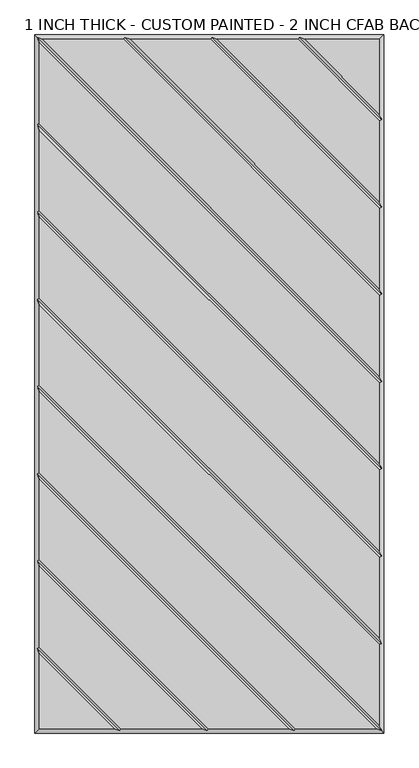
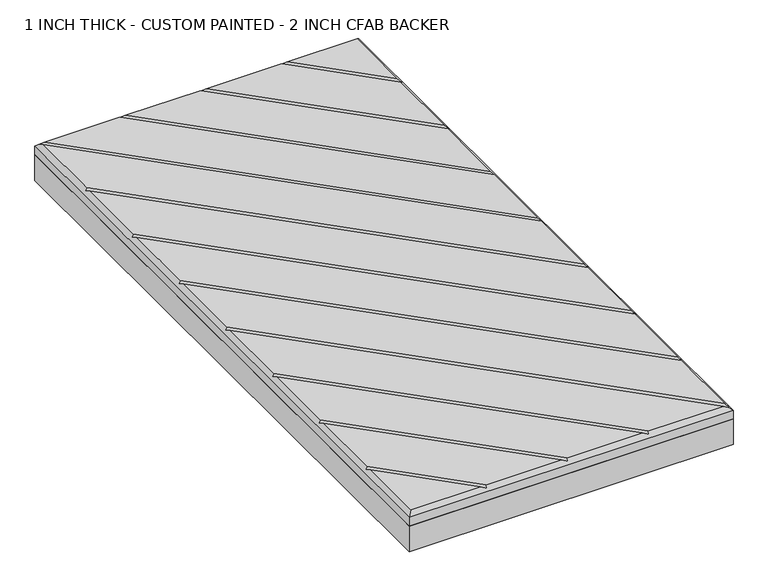
"""IFC4 building model written with IfcOpenShell, lengths in millimetres: proxy geometry, 1 INCH THICK - CUSTOM PAINTED - 2 INCH CFAB BACKER."""

from ifc_helpers import new_model, si_unit, frame, origin, place, context, project, spatial, polyline, outline, extrude, faceted_brep, source, transform, mapped, element, save


def proxy_1_inch_thick_custom_painted_2_inch_cfab_backer_5dd24717(model_context):
    return source(origin(), model_context, "Body", "SolidModel", [
        extrude(outline(polyline([(-304.8, 609.6), (304.8, 609.6), (304.8, -609.6), (-304.8, -609.6), (-304.8, 609.6)])), frame((0.0, 0.0, -50.8), z_axis=(0.0, 0.0, 1.0), x_axis=(1.0, 0.0, 0.0)), (0.0, 0.0, 1.0), 50.8),
        faceted_brep([(296.799, 601.599, 25.4), (166.0590948, 601.599, 25.4), (296.799, 470.8590948, 25.4), (-296.799, -601.599, 25.4), (-166.0590079, -601.599, 25.4), (-296.799, -470.8585721, 25.4), (296.799, 459.543972, 25.4), (154.743972, 601.599, 25.4), (13.6585868, 601.599, 25.4), (296.799, 318.4585868, 25.4), (296.799, 307.143464, 25.4), (2.343464, 601.599, 25.4), (-138.7419092, 601.599, 25.4), (296.799, 166.0585747, 25.4), (296.799, 154.7434583, 25.4), (-150.0570382, 601.599, 25.4), (-291.1414386, 601.599, 25.4), (296.799, 13.6585614, 25.4), (296.799, 2.3434386, 25.4), (-296.799, 595.9414386, 25.4), (-296.799, 454.8565868, 25.4), (296.799, -138.7414132, 25.4), (296.799, -150.056536, 25.4), (-296.799, 443.541464, 25.4), (-296.799, 302.4565868, 25.4), (296.799, -291.1414132, 25.4), (296.799, -302.456536, 25.4), (-296.799, 291.141464, 25.4), (-296.799, 150.0565868, 25.4), (296.799, -443.5414132, 25.4), (296.799, -454.856536, 25.4), (-296.799, 138.741464, 25.4), (-296.799, -2.3434386, 25.4), (296.799, -595.9414386, 25.4), (291.1414386, -601.599, 25.4), (-296.799, -13.6585614, 25.4), (-296.799, -154.7434132, 25.4), (150.0565868, -601.599, 25.4), (-296.799, -459.5434305, 25.4), (-154.743904, -601.599, 25.4), (-13.6585605, -601.599, 25.4), (-296.799, -318.4585369, 25.4), (-296.799, -307.1434137, 25.4), (-2.3434382, -601.599, 25.4), (138.741464, -601.599, 25.4), (-296.799, -166.058536, 25.4), (-304.8, 609.6, 0.0), (304.8, 609.6, 0.0), (304.8, -609.6, 0.0), (-304.8, -609.6, 0.0), (-304.8, -609.6, 17.399), (-304.8, 609.6, 17.399), (304.8, -609.6, 17.399), (304.8, 609.6, 17.399), (-300.7995, 605.5995, 21.3995), (-148.3999782, 605.5995, 21.3995), (4.0005254, 605.5995, 21.3995), (156.4010334, 605.5995, 21.3995), (-300.7995, -461.2004879, 21.3995), (-300.7995, -308.8004749, 21.3995), (-300.7995, -156.4004746, 21.3995), (-300.7995, -4.0005, 21.3995), (-300.7995, 148.3995254, 21.3995), (-300.7995, 300.7995254, 21.3995), (-300.7995, 453.1995254, 21.3995), (300.7995, -605.5995, 21.3995), (148.3995254, -605.5995, 21.3995), (-4.0004997, -605.5995, 21.3995), (-156.4009693, -605.5995, 21.3995), (300.7995, 461.2010334, 21.3995), (300.7995, 308.8005254, 21.3995), (300.7995, 156.400521, 21.3995), (300.7995, 4.0005, 21.3995), (300.7995, -148.3994746, 21.3995), (300.7995, -300.7994746, 21.3995), (300.7995, -453.1994746, 21.3995)], [[[0, 1, 2]], [[3, 4, 5]], [[6, 7, 8, 9]], [[10, 11, 12, 13]], [[14, 15, 16, 17]], [[18, 19, 20, 21]], [[22, 23, 24, 25]], [[26, 27, 28, 29]], [[30, 31, 32, 33]], [[34, 35, 36, 37]], [[38, 39, 40, 41]], [[42, 43, 44, 45]], [[46, 47, 48, 49]], [[46, 49, 50, 51]], [[49, 48, 52, 50]], [[48, 47, 53, 52]], [[47, 46, 51, 53]], [[0, 53, 51, 54, 16, 15, 55, 12, 11, 56, 8, 7, 57, 1]], [[50, 3, 5, 58, 38, 41, 59, 42, 45, 60, 36, 35, 61, 32, 31, 62, 28, 27, 63, 24, 23, 64, 20, 19, 54, 51]], [[3, 50, 52, 65, 34, 37, 66, 44, 43, 67, 40, 39, 68, 4]], [[53, 0, 2, 69, 6, 9, 70, 10, 13, 71, 14, 17, 72, 18, 21, 73, 22, 25, 74, 26, 29, 75, 30, 33, 65, 52]], [[57, 69, 2, 1]], [[69, 57, 7, 6]], [[56, 70, 9, 8]], [[70, 56, 11, 10]], [[55, 71, 13, 12]], [[71, 55, 15, 14]], [[54, 72, 17, 16]], [[72, 54, 19, 18]], [[64, 73, 21, 20]], [[73, 64, 23, 22]], [[63, 74, 25, 24]], [[74, 63, 27, 26]], [[62, 75, 29, 28]], [[75, 62, 31, 30]], [[61, 65, 33, 32]], [[65, 61, 35, 34]], [[58, 68, 39, 38]], [[68, 58, 5, 4]], [[59, 67, 43, 42]], [[67, 59, 41, 40]], [[60, 66, 37, 36]], [[66, 60, 45, 44]]]),
    ])


if __name__ == "__main__":
    model = new_model("IFC4")
    model_context = context("Model", 3, world=origin())
    ifc_project = project(units=[si_unit("LENGTHUNIT", "METRE", prefix="MILLI")], contexts=[model_context])
    site = spatial("IfcSite", under=ifc_project)
    building = spatial("IfcBuilding", under=site)
    placement = place(None, origin())
    proxy_1_inch_thick_custom_painted_2_inch_cfab_backer_shape = proxy_1_inch_thick_custom_painted_2_inch_cfab_backer_5dd24717(model_context)
    element("IfcBuildingElementProxy", 1, Name="1 INCH THICK - CUSTOM PAINTED - 2 INCH CFAB BACKER", ObjectType="1 INCH THICK - CUSTOM PAINTED - 2 INCH CFAB BACKER", at=placement, inside=building, context=model_context, shape_type="MappedRepresentation", body=[
        mapped(proxy_1_inch_thick_custom_painted_2_inch_cfab_backer_shape, transform((0.0, 0.0, 0.0), x_axis=(1.0, 0.0, 0.0), y_axis=(0.0, 1.0, 0.0), z_axis=(0.0, 0.0, 1.0))),
    ])
    save(model, "model.ifc")
